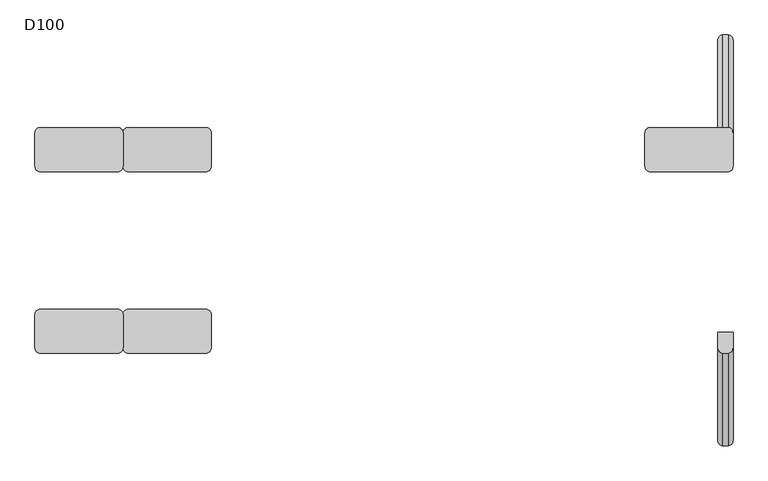
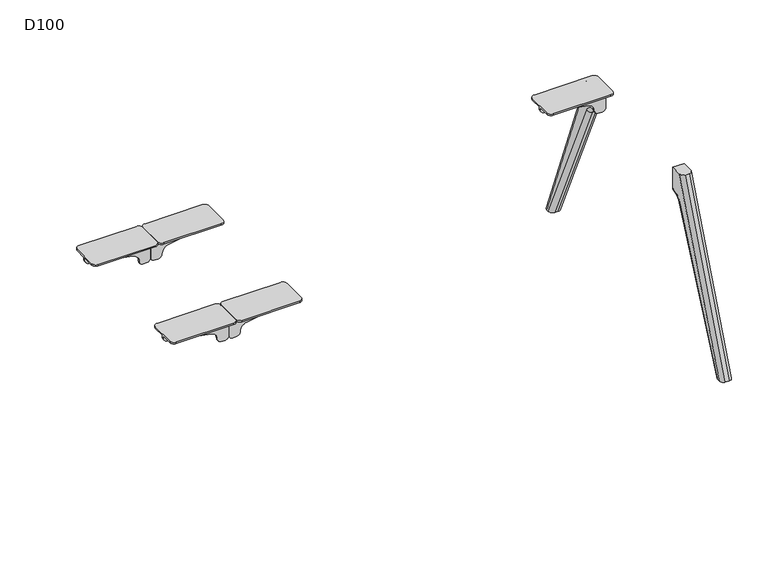
"""IFC4 building model written with IfcOpenShell, lengths in millimetres: furniture geometry, D100."""

from ifc_helpers import new_model, si_unit, point, frame, origin, place, context, project, spatial, polyline, circle_curve, ellipse_curve, trimmed, source, transform, mapped, element, save
from ifc_brep_helpers import plane_surface, cylinder_surface, revolved_surface, advanced_brep


def d100_7557b345(model_context):
    return source(origin(), model_context, "Body", "AdvancedBrep", [
        advanced_brep(
        [(1729.2740174, 270.7236545, 641.5327762), (1555.4913675, 270.7236545, 672.5), (1539.0, 270.7236545, 692.1898324), (1539.0, 270.7236545, 700.0), (1799.0, 270.7236545, 700.0), (1799.0, 270.7236545, 611.0), (1784.0, 270.7236545, 596.0), (1769.0, 270.7236545, 596.0), (1754.0036896, 270.7236545, 611.3326759), (1729.2740174, 264.7236545, 641.5327762), (1754.0036896, 264.7236545, 611.3326759), (1769.0, 264.7236545, 596.0), (1784.0, 264.7236545, 596.0), (1799.0, 264.7236545, 611.0), (1799.0, 264.7236545, 700.0), (1539.0, 264.7236545, 700.0), (1539.0, 264.7236545, 692.1898324), (1555.4913675, 264.7236545, 672.5), (1799.0, 218.7236545, 706.0), (1799.0, 218.7236545, 700.0), (1799.0, 316.7236545, 700.0), (1799.0, 316.7236545, 706.0), (1783.0, 332.7236545, 706.0), (1555.0, 332.7236545, 706.0), (1539.0, 316.7236545, 706.0), (1539.0, 218.7236545, 706.0), (1555.0, 202.7236545, 706.0), (1783.0, 202.7236545, 706.0), (1539.0, 316.7236545, 700.0), (1539.0, 218.7236545, 700.0), (1783.0, 202.7236545, 700.0), (1555.0, 202.7236545, 700.0), (1555.0, 332.7236545, 700.0), (1783.0, 332.7236545, 700.0)],
        [
            (0, 1),
            (1, 2, circle_curve(frame((1559.0, 270.7236545, 692.1898324), z_axis=(0.0, 1.0, 0.0), x_axis=(1.0, 0.0, 0.0)), 20.0)),
            (2, 3),
            (3, 4),
            (4, 5),
            (5, 6, circle_curve(frame((1784.0, 270.7236545, 611.0), z_axis=(0.0, 1.0, 0.0), x_axis=(1.0, 0.0, 0.0)), 15.0)),
            (6, 7),
            (7, 8, circle_curve(frame((1769.0, 270.7236545, 611.0), z_axis=(0.0, 1.0, 0.0), x_axis=(1.0, 0.0, 0.0)), 15.0)),
            (8, 0, circle_curve(frame((1724.0110687, 270.7236545, 611.9980276), z_axis=(0.0, -1.0, 0.0), x_axis=(1.0, 0.0, 0.0)), 30.0)),
            (9, 10, circle_curve(frame((1724.0110687, 264.7236545, 611.9980276), z_axis=(0.0, 1.0, 0.0), x_axis=(1.0, 0.0, 0.0)), 30.0)),
            (10, 11, circle_curve(frame((1769.0, 264.7236545, 611.0), z_axis=(0.0, -1.0, 0.0), x_axis=(1.0, 0.0, 0.0)), 15.0)),
            (11, 12),
            (12, 13, circle_curve(frame((1784.0, 264.7236545, 611.0), z_axis=(0.0, -1.0, 0.0), x_axis=(1.0, 0.0, 0.0)), 15.0)),
            (13, 14),
            (14, 15),
            (15, 16),
            (16, 17, circle_curve(frame((1559.0, 264.7236545, 692.1898324), z_axis=(0.0, -1.0, 0.0), x_axis=(1.0, 0.0, 0.0)), 20.0)),
            (17, 9),
            (8, 10),
            (9, 0),
            (18, 19),
            (19, 14),
            (13, 5),
            (4, 20),
            (20, 21),
            (21, 18),
            (21, 22, circle_curve(frame((1783.0, 316.7236545, 706.0), z_axis=(0.0, 0.0, 1.0), x_axis=(-1.0, 0.0, 0.0)), 16.0)),
            (22, 23),
            (23, 24, circle_curve(frame((1555.0, 316.7236545, 706.0), z_axis=(0.0, 0.0, 1.0), x_axis=(-1.0, 0.0, 0.0)), 16.0)),
            (24, 25),
            (25, 26, circle_curve(frame((1555.0, 218.7236545, 706.0), z_axis=(0.0, 0.0, 1.0), x_axis=(-1.0, 0.0, 0.0)), 16.0)),
            (26, 27),
            (27, 18, circle_curve(frame((1783.0, 218.7236545, 706.0), z_axis=(0.0, 0.0, 1.0), x_axis=(-1.0, 0.0, 0.0)), 16.0)),
            (24, 28),
            (28, 3),
            (2, 16),
            (15, 29),
            (29, 25),
            (1, 17),
            (7, 11),
            (6, 12),
            (30, 31),
            (31, 29, circle_curve(frame((1555.0, 218.7236545, 700.0), z_axis=(0.0, 0.0, -1.0), x_axis=(-1.0, 0.0, 0.0)), 16.0)),
            (19, 30, circle_curve(frame((1783.0, 218.7236545, 700.0), z_axis=(0.0, 0.0, -1.0), x_axis=(-1.0, 0.0, 0.0)), 16.0)),
            (28, 32, circle_curve(frame((1555.0, 316.7236545, 700.0), z_axis=(0.0, 0.0, -1.0), x_axis=(-1.0, 0.0, 0.0)), 16.0)),
            (32, 33),
            (33, 20, circle_curve(frame((1783.0, 316.7236545, 700.0), z_axis=(0.0, 0.0, -1.0), x_axis=(-1.0, 0.0, 0.0)), 16.0)),
            (27, 30),
            (33, 22),
            (32, 23),
            (31, 26),
        ],
        [
            plane_surface(frame((1555.4913675, 270.7236545, 672.5), z_axis=(0.0, 1.0000000000000002, 0.0), x_axis=(-0.9844916178685639, 0.0, 0.17543162299465215))),
            plane_surface(frame((1555.4913675, 264.7236545, 672.5), z_axis=(0.0, -1.0000000000000002, 0.0), x_axis=(0.9844916178685639, 0.0, -0.17543162299465215))),
            revolved_surface(polyline([(1754.0110687, 264.7236545, 611.9980276), (1754.0110687, 270.7236545, 611.9980276)]), (1724.0110687, 264.7236545, 611.9980276), (0.0, -1.0, 0.0)),
            plane_surface(frame((1799.0, 270.7236545, 706.0), z_axis=(1.0, 0.0, 0.0), x_axis=(0.0, -1.0, 0.0))),
            plane_surface(frame((1539.0, 270.7236545, 706.0), z_axis=(0.0, 0.0, 1.0), x_axis=(0.0, -1.0, 0.0))),
            plane_surface(frame((1539.0, 270.7236545, 692.1898324), z_axis=(-1.0, 0.0, 0.0), x_axis=(0.0, -1.0, 0.0))),
            cylinder_surface(frame((1559.0, 264.7236545, 692.1898324), z_axis=(0.0, 1.0, 0.0), x_axis=(1.0, 0.0, 0.0)), 20.0),
            plane_surface(frame((1729.2740174, 270.7236545, 641.5327762), z_axis=(-0.17543162299465215, 0.0, -0.9844916178685639), x_axis=(0.0, -1.0, 0.0))),
            cylinder_surface(frame((1769.0, 264.7236545, 611.0), z_axis=(0.0, 1.0, 0.0), x_axis=(1.0, 0.0, 0.0)), 15.0),
            plane_surface(frame((1784.0, 270.7236545, 596.0), z_axis=(0.0, 0.0, -1.0), x_axis=(0.0, -1.0, 0.0))),
            cylinder_surface(frame((1784.0, 264.7236545, 611.0), z_axis=(0.0, 1.0, 0.0), x_axis=(1.0, 0.0, 0.0)), 15.0),
            plane_surface(frame((1767.0, 218.7236545, 700.0), z_axis=(0.0, 0.0, -1.0), x_axis=(0.0, 1.0, 0.0))),
            cylinder_surface(frame((1783.0, 218.7236545, 700.0), z_axis=(0.0, 0.0, 1.0), x_axis=(-1.0, 0.0, 0.0)), 16.0),
            cylinder_surface(frame((1783.0, 316.7236545, 700.0), z_axis=(0.0, 0.0, 1.0), x_axis=(-1.0, 0.0, 0.0)), 16.0),
            plane_surface(frame((1783.0, 332.7236545, 706.0), z_axis=(0.0, 1.0, 0.0), x_axis=(0.0, 0.0, -1.0))),
            cylinder_surface(frame((1555.0, 316.7236545, 700.0), z_axis=(0.0, 0.0, 1.0), x_axis=(-1.0, 0.0, 0.0)), 16.0),
            cylinder_surface(frame((1555.0, 218.7236545, 700.0), z_axis=(0.0, 0.0, 1.0), x_axis=(-1.0, 0.0, 0.0)), 16.0),
            plane_surface(frame((1555.0, 202.7236545, 706.0), z_axis=(0.0, -1.0, 0.0), x_axis=(0.0, 0.0, -1.0))),
        ],
        [
            (0, [[1, 2, 3, 4, 5, 6, 7, 8, 9]]),
            (1, [[10, 11, 12, 13, 14, 15, 16, 17, 18]]),
            (2, [[-9, 19, -10, 20]]),
            (3, [[21, 22, -14, 23, -5, 24, 25, 26]]),
            (4, [[-26, 27, 28, 29, 30, 31, 32, 33]]),
            (5, [[-30, 34, 35, -3, 36, -16, 37, 38]]),
            (6, [[-2, 39, -17, -36]]),
            (7, [[-1, -20, -18, -39]]),
            (8, [[-8, 40, -11, -19]]),
            (9, [[-7, 41, -12, -40]]),
            (10, [[-6, -23, -13, -41]]),
            (11, [[42, 43, -37, -15, -22, 44]]),
            (11, [[45, 46, 47, -24, -4, -35]]),
            (12, [[-33, 48, -44, -21]]),
            (13, [[-27, -25, -47, 49]]),
            (14, [[-28, -49, -46, 50]]),
            (15, [[-29, -50, -45, -34]]),
            (16, [[-31, -38, -43, 51]]),
            (17, [[-32, -51, -42, -48]]),
        ],
    ),
        advanced_brep(
        [(1784.0, 272.7758244, 596.0), (1799.0, 272.7758244, 611.0), (1799.0, 270.7236545, 611.0), (1784.0, 270.7236545, 596.0), (1754.0, 272.7758244, 611.0), (1769.0, 272.7758244, 596.0), (1769.0, 270.7236545, 596.0), (1754.0, 270.7236545, 611.0), (1799.0, 319.3435487, 580.82862), (1784.0, 305.6533176, 574.6985653), (1784.0, 562.9852524, 0.0), (1799.0, 579.4203292, 0.0), (1769.0, 305.6533176, 574.6985653), (1754.0, 319.3435487, 580.82862), (1754.0, 579.4203292, 0.0), (1769.0, 562.9852524, 0.0), (1754.0, 270.7236545, 700.0), (1754.0, 316.6217076, 700.0), (1754.0, 589.8218305, 0.0), (1799.0, 270.7236545, 700.0), (1799.0, 589.8218305, 0.0), (1799.0, 316.6217076, 700.0), (1784.0, 332.7236545, 700.0), (1769.0, 332.7236545, 700.0), (1784.0, 605.9237773, 0.0), (1769.0, 605.9237773, 0.0)],
        [
            (0, 1, circle_curve(frame((1784.0, 272.7758244, 611.0), z_axis=(0.0, -1.0, 0.0), x_axis=(0.0, 0.0, -1.0)), 15.0)),
            (1, 2),
            (2, 3, circle_curve(frame((1784.0, 270.7236545, 611.0), z_axis=(0.0, 1.0, 0.0), x_axis=(0.0, 0.0, -1.0)), 15.0)),
            (3, 0),
            (4, 5, circle_curve(frame((1769.0, 272.7758244, 611.0), z_axis=(0.0, -1.0, 0.0), x_axis=(0.0, 0.0, -1.0)), 15.0)),
            (5, 6),
            (6, 7, circle_curve(frame((1769.0, 270.7236545, 611.0), z_axis=(0.0, 1.0, 0.0), x_axis=(0.0, 0.0, -1.0)), 15.0)),
            (7, 4),
            (8, 9, circle_curve(frame((1784.0, 319.3435487, 580.82862), z_axis=(0.0, 0.4086703164969099, -0.9126820763082375), x_axis=(0.0, -0.9126820763082375, -0.4086703164969099)), 15.0)),
            (9, 10),
            (10, 11, ellipse_curve(frame((1784.0, 579.4203292, 0.0), z_axis=(0.0, 0.0, 1.0), x_axis=(0.0, 1.0, 0.0)), 16.4350768, 15.0)),
            (11, 8),
            (12, 13, circle_curve(frame((1769.0, 319.3435487, 580.82862), z_axis=(0.0, 0.4086703164969099, -0.9126820763082375), x_axis=(0.0, -0.9126820763082375, -0.4086703164969099)), 15.0)),
            (13, 14),
            (14, 15, ellipse_curve(frame((1769.0, 579.4203292, 0.0), z_axis=(0.0, 0.0, 1.0), x_axis=(0.0, 1.0, 0.0)), 16.4350768, 15.0)),
            (15, 12),
            (0, 9, circle_curve(frame((1784.0, 272.7758244, 559.9770583), z_axis=(-1.0, 0.0, 0.0), x_axis=(0.0, 0.0, 1.0)), 36.0229417)),
            (8, 1, circle_curve(frame((1799.0, 272.7758244, 559.9770583), z_axis=(1.0, 0.0, 0.0), x_axis=(0.0, 0.0, 1.0)), 51.0229417)),
            (4, 13, circle_curve(frame((1754.0, 272.7758244, 559.9770583), z_axis=(-1.0, 0.0, 0.0), x_axis=(0.0, 0.0, 1.0)), 51.0229417)),
            (12, 5, circle_curve(frame((1769.0, 272.7758244, 559.9770583), z_axis=(1.0, 0.0, 0.0), x_axis=(0.0, 0.0, 1.0)), 36.0229417)),
            (7, 16),
            (16, 17),
            (17, 18),
            (18, 14),
            (19, 2),
            (11, 20),
            (20, 21),
            (21, 19),
            (16, 19),
            (21, 22, ellipse_curve(frame((1784.0, 316.6217076, 700.0), z_axis=(0.0, 0.0, 1.0), x_axis=(0.0, -1.0, 0.0)), 16.1019468, 15.0)),
            (22, 23),
            (23, 17, ellipse_curve(frame((1769.0, 316.6217076, 700.0), z_axis=(0.0, 0.0, 1.0), x_axis=(0.0, -1.0, 0.0)), 16.1019468, 15.0)),
            (22, 24),
            (24, 25),
            (25, 23),
            (10, 15),
            (18, 25, ellipse_curve(frame((1769.0, 589.8218305, 0.0), z_axis=(0.0, 0.0, -1.0), x_axis=(0.0, -0.9999999999999999, 0.0)), 16.1019468, 15.0)),
            (24, 20, ellipse_curve(frame((1784.0, 589.8218305, 0.0), z_axis=(0.0, 0.0, -1.0), x_axis=(0.0, -0.9999999999999999, 0.0)), 16.1019468, 15.0)),
            (9, 12),
            (0, 5),
            (3, 6),
        ],
        [
            cylinder_surface(frame((1784.0, -272.7758244, 611.0), z_axis=(0.0, 1.0, 0.0), x_axis=(0.0, 0.0, -1.0)), 15.0),
            cylinder_surface(frame((1769.0, -272.7758244, 611.0), z_axis=(0.0, 1.0, 0.0), x_axis=(0.0, 0.0, -1.0)), 15.0),
            cylinder_surface(frame((1784.0, 319.3435487, 580.82862), z_axis=(0.0, 0.4086703164969099, -0.9126820763082375), x_axis=(0.0, -0.9126820763082375, -0.4086703164969099)), 15.0),
            cylinder_surface(frame((1769.0, 319.3435487, 580.82862), z_axis=(0.0, 0.4086703164969099, -0.9126820763082375), x_axis=(0.0, -0.9126820763082375, -0.4086703164969099)), 15.0),
            revolved_surface(trimmed(ellipse_curve(frame((1784.0, 272.7758244, 611.0), z_axis=(0.0, -1.0, 0.0), x_axis=(0.0, 0.0, -1.0)), 15.0, 15.0), [point((1784.0, 272.7758244, 596.0))], [point((1799.0, 272.7758244, 611.0))], True, "CARTESIAN"), (1017.0, 272.7758244, 559.9770583), (-1.0, 0.0, 0.0)),
            revolved_surface(trimmed(ellipse_curve(frame((1769.0, 272.7758244, 611.0), z_axis=(0.0, -1.0, 0.0), x_axis=(0.0, 0.0, -1.0)), 15.0, 15.0), [point((1754.0, 272.7758244, 611.0))], [point((1769.0, 272.7758244, 596.0))], True, "CARTESIAN"), (1017.0, 272.7758244, 559.9770583), (-1.0, 0.0, 0.0)),
            plane_surface(frame((1754.0, 291.5455549, 700.0), z_axis=(-1.0, 0.0, 0.0), x_axis=(0.0, 1.0, 0.0))),
            plane_surface(frame((1799.0, 291.5455549, 700.0), z_axis=(1.0, 0.0, 0.0), x_axis=(0.0, -1.0, 0.0))),
            plane_surface(frame((1754.0, 270.7236545, 700.0), z_axis=(0.0, 0.0, 1.0), x_axis=(1.0, 0.0, 0.0))),
            plane_surface(frame((1754.0, 332.7236545, 700.0), z_axis=(0.0, 0.9315643722265751, 0.3635764299265108), x_axis=(1.0, 0.0, 0.0))),
            plane_surface(frame((1754.0, 605.9237773, 0.0), z_axis=(0.0, 0.0, -1.0), x_axis=(1.0, 0.0, 0.0))),
            plane_surface(frame((1754.0, 562.9852524, 0.0), z_axis=(0.0, -0.9126820763082374, -0.40867031649691016), x_axis=(1.0, 0.0, 0.0))),
            revolved_surface(polyline([(1784.0, 236.7528827, 559.9770583), (1769.0, 236.7528827, 559.9770583)]), (1799.0, 272.7758244, 559.9770583), (1.0, 0.0, 0.0)),
            plane_surface(frame((1754.0, 272.7758244, 596.0), z_axis=(0.0, 0.0, -1.0), x_axis=(1.0, 0.0, 0.0))),
            plane_surface(frame((1754.0, 270.7236545, 596.0), z_axis=(0.0, -1.0, 0.0), x_axis=(1.0, 0.0, 0.0))),
            cylinder_surface(frame((1784.0, 599.6644228, -25.2189296), z_axis=(0.0, -0.3635764299265101, 0.9315643722265754), x_axis=(0.0, 0.9315643722265754, 0.3635764299265101)), 15.0),
            cylinder_surface(frame((1769.0, 599.6644228, -25.2189296), z_axis=(0.0, -0.3635764299265101, 0.9315643722265754), x_axis=(0.0, 0.9315643722265754, 0.3635764299265101)), 15.0),
        ],
        [
            (0, [[1, 2, 3, 4]]),
            (1, [[5, 6, 7, 8]]),
            (2, [[9, 10, 11, 12]]),
            (3, [[13, 14, 15, 16]]),
            (4, [[-1, 17, -9, 18]]),
            (5, [[-5, 19, -13, 20]]),
            (6, [[21, 22, 23, 24, -14, -19, -8]]),
            (7, [[25, -2, -18, -12, 26, 27, 28]]),
            (8, [[29, -28, 30, 31, 32, -22]]),
            (9, [[-31, 33, 34, 35]]),
            (10, [[36, -15, -24, 37, -34, 38, -26, -11]]),
            (11, [[-36, -10, 39, -16]]),
            (12, [[-39, -17, 40, -20]]),
            (13, [[-40, -4, 41, -6]]),
            (14, [[-29, -21, -7, -41, -3, -25]]),
            (15, [[-27, -38, -33, -30]]),
            (16, [[-23, -32, -35, -37]]),
        ],
    ),
        advanced_brep(
        [(1754.0, -270.7236545, 700.0), (1754.0, -270.7236545, 611.0), (1754.0, -272.7758244, 611.0), (1754.0, -319.3435487, 580.82862), (1754.0, -579.4203292, 0.0), (1754.0, -589.8218305, 0.0), (1754.0, -316.6217076, 700.0), (1799.0, -270.7236545, 611.0), (1799.0, -270.7236545, 700.0), (1799.0, -316.6217076, 700.0), (1799.0, -589.8218305, 0.0), (1799.0, -579.4203292, 0.0), (1799.0, -319.3435487, 580.82862), (1799.0, -272.7758244, 611.0), (1769.0, -332.7236545, 700.0), (1784.0, -332.7236545, 700.0), (1769.0, -605.9237773, 0.0), (1784.0, -605.9237773, 0.0), (1769.0, -562.9852524, 0.0), (1784.0, -562.9852524, 0.0), (1769.0, -305.6533176, 574.6985653), (1784.0, -305.6533176, 574.6985653), (1769.0, -272.7758244, 596.0), (1784.0, -272.7758244, 596.0), (1769.0, -270.7236545, 596.0), (1784.0, -270.7236545, 596.0)],
        [
            (0, 1),
            (1, 2),
            (2, 3, circle_curve(frame((1754.0, -272.7758244, 559.9770583), z_axis=(1.0, 0.0, 0.0), x_axis=(0.0, -0.9126820763082378, 0.4086703164969091)), 51.0229417)),
            (3, 4),
            (4, 5),
            (5, 6),
            (6, 0),
            (7, 8),
            (8, 9),
            (9, 10),
            (10, 11),
            (11, 12),
            (12, 13, circle_curve(frame((1799.0, -272.7758244, 559.9770583), z_axis=(-1.0, 0.0, 0.0), x_axis=(0.0, -0.9126820763082378, 0.4086703164969091)), 51.0229417)),
            (13, 7),
            (8, 0),
            (6, 14, ellipse_curve(frame((1769.0, -316.6217076, 700.0), z_axis=(0.0, 0.0, 1.0), x_axis=(0.0, 1.0, 0.0)), 16.1019468, 15.0)),
            (14, 15),
            (15, 9, ellipse_curve(frame((1784.0, -316.6217076, 700.0), z_axis=(0.0, 0.0, 1.0), x_axis=(0.0, 1.0, 0.0)), 16.1019468, 15.0)),
            (14, 16),
            (16, 17),
            (17, 15),
            (18, 19),
            (19, 11, ellipse_curve(frame((1784.0, -579.4203292, 0.0), z_axis=(0.0, 0.0, -1.0), x_axis=(0.0, 1.0, 0.0)), 16.4350768, 15.0)),
            (10, 17, ellipse_curve(frame((1784.0, -589.8218305, 0.0), z_axis=(0.0, 0.0, -1.0), x_axis=(0.0, 0.9999999999999999, 0.0)), 16.1019468, 15.0)),
            (16, 5, ellipse_curve(frame((1769.0, -589.8218305, 0.0), z_axis=(0.0, 0.0, -1.0), x_axis=(0.0, 0.9999999999999999, 0.0)), 16.1019468, 15.0)),
            (4, 18, ellipse_curve(frame((1769.0, -579.4203292, 0.0), z_axis=(0.0, 0.0, -1.0), x_axis=(0.0, 1.0, 0.0)), 16.4350768, 15.0)),
            (18, 20),
            (20, 21),
            (21, 19),
            (20, 22, circle_curve(frame((1769.0, -272.7758244, 559.9770583), z_axis=(-1.0, 0.0, 0.0), x_axis=(0.0, 1.0, 0.0)), 36.0229417)),
            (22, 23),
            (23, 21, circle_curve(frame((1784.0, -272.7758244, 559.9770583), z_axis=(1.0, 0.0, 0.0), x_axis=(0.0, 1.0, 0.0)), 36.0229417)),
            (22, 24),
            (24, 25),
            (25, 23),
            (7, 25, circle_curve(frame((1784.0, -270.7236545, 611.0), z_axis=(0.0, 1.0, 0.0), x_axis=(0.0, 0.0, -1.0)), 15.0)),
            (24, 1, circle_curve(frame((1769.0, -270.7236545, 611.0), z_axis=(0.0, 1.0, 0.0), x_axis=(0.0, 0.0, -1.0)), 15.0)),
            (21, 12, circle_curve(frame((1784.0, -319.3435487, 580.82862), z_axis=(0.0, -0.40867031649690977, -0.9126820763082376), x_axis=(0.0, 0.9126820763082376, -0.40867031649690977)), 15.0)),
            (3, 20, circle_curve(frame((1769.0, -319.3435487, 580.82862), z_axis=(0.0, -0.40867031649690977, -0.9126820763082376), x_axis=(0.0, 0.9126820763082376, -0.40867031649690977)), 15.0)),
            (13, 23, circle_curve(frame((1784.0, -272.7758244, 611.0), z_axis=(0.0, 1.0, 0.0), x_axis=(0.0, 0.0, -1.0)), 15.0)),
            (22, 2, circle_curve(frame((1769.0, -272.7758244, 611.0), z_axis=(0.0, 1.0, 0.0), x_axis=(0.0, 0.0, -1.0)), 15.0)),
        ],
        [
            plane_surface(frame((1754.0, -270.7236545, 596.0), z_axis=(-1.0, 0.0, 0.0), x_axis=(0.0, 0.0, -1.0))),
            plane_surface(frame((1799.0, -270.7236545, 596.0), z_axis=(1.0, 0.0, 0.0), x_axis=(0.0, 0.0, 1.0))),
            plane_surface(frame((1754.0, -332.7236545, 700.0), z_axis=(0.0, 0.0, 1.0), x_axis=(1.0, 0.0, 0.0))),
            plane_surface(frame((1754.0, -605.9237773, 0.0), z_axis=(0.0, -0.9315643722265751, 0.3635764299265108), x_axis=(1.0, 0.0, 0.0))),
            plane_surface(frame((1754.0, -562.9852524, 0.0), z_axis=(0.0, 0.0, -1.0), x_axis=(1.0, 0.0, 0.0))),
            plane_surface(frame((1754.0, -305.6533176, 574.6985653), z_axis=(0.0, 0.9126820763082374, -0.40867031649691016), x_axis=(1.0, 0.0, 0.0))),
            revolved_surface(polyline([(1784.0, -236.7528827, 559.9770583), (1769.0, -236.7528827, 559.9770583)]), (1799.0, -272.7758244, 559.9770583), (1.0, 0.0, 0.0)),
            plane_surface(frame((1754.0, -270.7236545, 596.0), z_axis=(0.0, 0.0, -1.0), x_axis=(1.0, 0.0, 0.0))),
            plane_surface(frame((1754.0, -270.7236545, 700.0), z_axis=(0.0, 1.0, 0.0), x_axis=(1.0, 0.0, 0.0))),
            cylinder_surface(frame((1784.0, -584.7803586, -11.9705362), z_axis=(0.0, 0.40867031649690977, 0.9126820763082376), x_axis=(0.0, 0.9126820763082376, -0.40867031649690977)), 15.0),
            cylinder_surface(frame((1769.0, -584.7803586, -11.9705362), z_axis=(0.0, 0.40867031649690977, 0.9126820763082376), x_axis=(0.0, 0.9126820763082376, -0.40867031649690977)), 15.0),
            cylinder_surface(frame((1784.0, -272.7758244, 611.0), z_axis=(0.0, 1.0, 0.0), x_axis=(0.0, 0.0, -1.0)), 15.0),
            cylinder_surface(frame((1769.0, -272.7758244, 611.0), z_axis=(0.0, 1.0, 0.0), x_axis=(0.0, 0.0, -1.0)), 15.0),
            revolved_surface(trimmed(ellipse_curve(frame((1784.0, -319.3435487, 580.82862), z_axis=(0.0, -0.4086703164969089, -0.9126820763082379), x_axis=(0.0, 0.9126820763082379, -0.4086703164969089)), 15.0, 15.0), [point((1784.0, -305.6533176, 574.6985653))], [point((1799.0, -319.3435487, 580.82862))], True, "CARTESIAN"), (1017.0, -272.7758244, 559.9770583), (-1.0, 0.0, 0.0)),
            revolved_surface(trimmed(ellipse_curve(frame((1769.0, -319.3435487, 580.82862), z_axis=(0.0, -0.4086703164969089, -0.9126820763082379), x_axis=(0.0, 0.9126820763082379, -0.4086703164969089)), 15.0, 15.0), [point((1754.0, -319.3435487, 580.82862))], [point((1769.0, -305.6533176, 574.6985653))], True, "CARTESIAN"), (1017.0, -272.7758244, 559.9770583), (-1.0, 0.0, 0.0)),
            cylinder_surface(frame((1784.0, -599.6644228, -25.2189296), z_axis=(0.0, 0.3635764299265101, 0.9315643722265754), x_axis=(0.0, 0.9315643722265754, -0.3635764299265101)), 15.0),
            cylinder_surface(frame((1769.0, -599.6644228, -25.2189296), z_axis=(0.0, 0.3635764299265101, 0.9315643722265754), x_axis=(0.0, 0.9315643722265754, -0.3635764299265101)), 15.0),
        ],
        [
            (0, [[1, 2, 3, 4, 5, 6, 7]]),
            (1, [[8, 9, 10, 11, 12, 13, 14]]),
            (2, [[15, -7, 16, 17, 18, -9]]),
            (3, [[-17, 19, 20, 21]]),
            (4, [[22, 23, -11, 24, -20, 25, -5, 26]]),
            (5, [[-22, 27, 28, 29]]),
            (6, [[-28, 30, 31, 32]]),
            (7, [[-31, 33, 34, 35]]),
            (8, [[-15, -8, 36, -34, 37, -1]]),
            (9, [[38, -12, -23, -29]]),
            (10, [[39, -27, -26, -4]]),
            (11, [[40, -35, -36, -14]]),
            (12, [[41, -2, -37, -33]]),
            (13, [[-38, -32, -40, -13]]),
            (14, [[-39, -3, -41, -30]]),
            (15, [[-10, -18, -21, -24]]),
            (16, [[-6, -25, -19, -16]]),
        ],
    ),
        advanced_brep(
        [(-69.7259826, 270.7236545, 641.5327762), (-243.5086325, 270.7236545, 672.5), (-260.0, 270.7236545, 692.1898324), (-260.0, 270.7236545, 700.0), (0.0, 270.7236545, 700.0), (0.0, 270.7236545, 611.0), (-15.0, 270.7236545, 596.0), (-30.0, 270.7236545, 596.0), (-45.0, 270.7236545, 611.0), (-44.9963104, 270.7236545, 611.3326759), (-69.7259826, 264.7236545, 641.5327762), (-44.9963104, 264.7236545, 611.3326759), (-45.0, 264.7236545, 611.0), (-30.0, 264.7236545, 596.0), (-15.0, 264.7236545, 596.0), (0.0, 264.7236545, 611.0), (0.0, 264.7236545, 700.0), (-260.0, 264.7236545, 700.0), (-260.0, 264.7236545, 692.1898324), (-243.5086325, 264.7236545, 672.5), (0.0, 218.7236545, 706.0), (0.0, 218.7236545, 700.0), (0.0, 316.7236545, 700.0), (0.0, 316.7236545, 706.0), (-16.0, 332.7236545, 706.0), (-244.0, 332.7236545, 706.0), (-260.0, 316.7236545, 706.0), (-260.0, 218.7236545, 706.0), (-244.0, 202.7236545, 706.0), (-16.0, 202.7236545, 706.0), (-260.0, 316.7236545, 700.0), (-260.0, 218.7236545, 700.0), (-16.0, 202.7236545, 700.0), (-244.0, 202.7236545, 700.0), (-244.0, 332.7236545, 700.0), (-16.0, 332.7236545, 700.0)],
        [
            (0, 1),
            (1, 2, circle_curve(frame((-240.0, 270.7236545, 692.1898324), z_axis=(0.0, 1.0, 0.0), x_axis=(1.0, 0.0, 0.0)), 20.0)),
            (2, 3),
            (3, 4),
            (4, 5),
            (5, 6, circle_curve(frame((-15.0, 270.7236545, 611.0), z_axis=(0.0, 1.0, 0.0), x_axis=(1.0, 0.0, 0.0)), 15.0)),
            (6, 7),
            (7, 8, circle_curve(frame((-30.0, 270.7236545, 611.0), z_axis=(0.0, 1.0, 0.0), x_axis=(1.0, 0.0, 0.0)), 15.0)),
            (8, 9, circle_curve(frame((-30.0, 270.7236545, 611.0), z_axis=(0.0, 1.0, 0.0), x_axis=(1.0, 0.0, 0.0)), 15.0)),
            (9, 0, circle_curve(frame((-74.9889313, 270.7236545, 611.9980276), z_axis=(0.0, -1.0, 0.0), x_axis=(1.0, 0.0, 0.0)), 30.0)),
            (10, 11, circle_curve(frame((-74.9889313, 264.7236545, 611.9980276), z_axis=(0.0, 1.0, 0.0), x_axis=(1.0, 0.0, 0.0)), 30.0)),
            (11, 12, circle_curve(frame((-30.0, 264.7236545, 611.0), z_axis=(0.0, -1.0, 0.0), x_axis=(1.0, 0.0, 0.0)), 15.0)),
            (12, 13, circle_curve(frame((-30.0, 264.7236545, 611.0), z_axis=(0.0, -1.0, 0.0), x_axis=(1.0, 0.0, 0.0)), 15.0)),
            (13, 14),
            (14, 15, circle_curve(frame((-15.0, 264.7236545, 611.0), z_axis=(0.0, -1.0, 0.0), x_axis=(1.0, 0.0, 0.0)), 15.0)),
            (15, 16),
            (16, 17),
            (17, 18),
            (18, 19, circle_curve(frame((-240.0, 264.7236545, 692.1898324), z_axis=(0.0, -1.0, 0.0), x_axis=(1.0, 0.0, 0.0)), 20.0)),
            (19, 10),
            (9, 11),
            (10, 0),
            (20, 21),
            (21, 16),
            (15, 5),
            (4, 22),
            (22, 23),
            (23, 20),
            (23, 24, circle_curve(frame((-16.0, 316.7236545, 706.0), z_axis=(0.0, 0.0, 1.0), x_axis=(-1.0, 0.0, 0.0)), 16.0)),
            (24, 25),
            (25, 26, circle_curve(frame((-244.0, 316.7236545, 706.0), z_axis=(0.0, 0.0, 1.0), x_axis=(-1.0, 0.0, 0.0)), 16.0)),
            (26, 27),
            (27, 28, circle_curve(frame((-244.0, 218.7236545, 706.0), z_axis=(0.0, 0.0, 1.0), x_axis=(-1.0, 0.0, 0.0)), 16.0)),
            (28, 29),
            (29, 20, circle_curve(frame((-16.0, 218.7236545, 706.0), z_axis=(0.0, 0.0, 1.0), x_axis=(-1.0, 0.0, 0.0)), 16.0)),
            (26, 30),
            (30, 3),
            (2, 18),
            (17, 31),
            (31, 27),
            (1, 19),
            (7, 13),
            (6, 14),
            (32, 33),
            (33, 31, circle_curve(frame((-244.0, 218.7236545, 700.0), z_axis=(0.0, 0.0, -1.0), x_axis=(-1.0, 0.0, 0.0)), 16.0)),
            (21, 32, circle_curve(frame((-16.0, 218.7236545, 700.0), z_axis=(0.0, 0.0, -1.0), x_axis=(-1.0, 0.0, 0.0)), 16.0)),
            (30, 34, circle_curve(frame((-244.0, 316.7236545, 700.0), z_axis=(0.0, 0.0, -1.0), x_axis=(-1.0, 0.0, 0.0)), 16.0)),
            (34, 35),
            (35, 22, circle_curve(frame((-16.0, 316.7236545, 700.0), z_axis=(0.0, 0.0, -1.0), x_axis=(-1.0, 0.0, 0.0)), 16.0)),
            (29, 32),
            (35, 24),
            (34, 25),
            (33, 28),
        ],
        [
            plane_surface(frame((-243.5086325, 270.7236545, 672.5), z_axis=(0.0, 1.0, 0.0), x_axis=(-0.9844916178685641, 0.0, 0.17543162299465068))),
            plane_surface(frame((-243.5086325, 264.7236545, 672.5), z_axis=(0.0, -1.0, 0.0), x_axis=(0.9844916178685641, 0.0, -0.17543162299465068))),
            revolved_surface(polyline([(-44.988931300000004, 264.7236545, 611.9980276), (-44.988931300000004, 270.7236545, 611.9980276)]), (-74.9889313, 264.7236545, 611.9980276), (0.0, -1.0, 0.0)),
            plane_surface(frame((0.0, 270.7236545, 706.0), z_axis=(1.0, 0.0, 0.0), x_axis=(0.0, -1.0, 0.0))),
            plane_surface(frame((-260.0, 270.7236545, 706.0), z_axis=(0.0, 0.0, 1.0), x_axis=(0.0, -1.0, 0.0))),
            plane_surface(frame((-260.0, 270.7236545, 692.1898324), z_axis=(-1.0, 0.0, 0.0), x_axis=(0.0, -1.0, 0.0))),
            cylinder_surface(frame((-240.0, 264.7236545, 692.1898324), z_axis=(0.0, 1.0, 0.0), x_axis=(1.0, 0.0, 0.0)), 20.0),
            plane_surface(frame((-69.7259826, 270.7236545, 641.5327762), z_axis=(-0.17543162299465068, 0.0, -0.9844916178685641), x_axis=(0.0, -1.0, 0.0))),
            cylinder_surface(frame((-30.0, 264.7236545, 611.0), z_axis=(0.0, 1.0, 0.0), x_axis=(1.0, 0.0, 0.0)), 15.0),
            plane_surface(frame((-15.0, 270.7236545, 596.0), z_axis=(0.0, 0.0, -1.0), x_axis=(0.0, -1.0, 0.0))),
            cylinder_surface(frame((-15.0, 264.7236545, 611.0), z_axis=(0.0, 1.0, 0.0), x_axis=(1.0, 0.0, 0.0)), 15.0),
            plane_surface(frame((-32.0, 218.7236545, 700.0), z_axis=(0.0, 0.0, -1.0), x_axis=(0.0, 1.0, 0.0))),
            cylinder_surface(frame((-16.0, 218.7236545, 700.0), z_axis=(0.0, 0.0, 1.0), x_axis=(-1.0, 0.0, 0.0)), 16.0),
            cylinder_surface(frame((-16.0, 316.7236545, 700.0), z_axis=(0.0, 0.0, 1.0), x_axis=(-1.0, 0.0, 0.0)), 16.0),
            plane_surface(frame((-16.0, 332.7236545, 706.0), z_axis=(0.0, 1.0, 0.0), x_axis=(0.0, 0.0, -1.0))),
            cylinder_surface(frame((-244.0, 316.7236545, 700.0), z_axis=(0.0, 0.0, 1.0), x_axis=(-1.0, 0.0, 0.0)), 16.0),
            cylinder_surface(frame((-244.0, 218.7236545, 700.0), z_axis=(0.0, 0.0, 1.0), x_axis=(-1.0, 0.0, 0.0)), 16.0),
            plane_surface(frame((-244.0, 202.7236545, 706.0), z_axis=(0.0, -1.0, 0.0), x_axis=(0.0, 0.0, -1.0))),
        ],
        [
            (0, [[1, 2, 3, 4, 5, 6, 7, 8, 9, 10]]),
            (1, [[11, 12, 13, 14, 15, 16, 17, 18, 19, 20]]),
            (2, [[-10, 21, -11, 22]]),
            (3, [[23, 24, -16, 25, -5, 26, 27, 28]]),
            (4, [[-28, 29, 30, 31, 32, 33, 34, 35]]),
            (5, [[-32, 36, 37, -3, 38, -18, 39, 40]]),
            (6, [[-2, 41, -19, -38]]),
            (7, [[-1, -22, -20, -41]]),
            (8, [[-21, -9, -8, 42, -13, -12]]),
            (9, [[-7, 43, -14, -42]]),
            (10, [[-6, -25, -15, -43]]),
            (11, [[44, 45, -39, -17, -24, 46]]),
            (11, [[47, 48, 49, -26, -4, -37]]),
            (12, [[-35, 50, -46, -23]]),
            (13, [[-29, -27, -49, 51]]),
            (14, [[-30, -51, -48, 52]]),
            (15, [[-31, -52, -47, -36]]),
            (16, [[-33, -40, -45, 53]]),
            (17, [[-34, -53, -44, -50]]),
        ],
    ),
        advanced_brep(
        [(-69.7259826, -270.7236545, 641.5327762), (-44.9963104, -270.7236545, 611.3326759), (-45.0, -270.7236545, 611.0), (-30.0, -270.7236545, 596.0), (-15.0, -270.7236545, 596.0), (0.0, -270.7236545, 611.0), (0.0, -270.7236545, 700.0), (-260.0, -270.7236545, 700.0), (-260.0, -270.7236545, 692.1898324), (-243.5086325, -270.7236545, 672.5), (-69.7259826, -264.7236545, 641.5327762), (-243.5086325, -264.7236545, 672.5), (-260.0, -264.7236545, 692.1898324), (-260.0, -264.7236545, 700.0), (0.0, -264.7236545, 700.0), (0.0, -264.7236545, 611.0), (-15.0, -264.7236545, 596.0), (-30.0, -264.7236545, 596.0), (-45.0, -264.7236545, 611.0), (-44.9963104, -264.7236545, 611.3326759), (0.0, -218.7236545, 700.0), (0.0, -218.7236545, 706.0), (0.0, -316.7236545, 706.0), (0.0, -316.7236545, 700.0), (-16.0, -202.7236545, 706.0), (-244.0, -202.7236545, 706.0), (-260.0, -218.7236545, 706.0), (-260.0, -316.7236545, 706.0), (-244.0, -332.7236545, 706.0), (-16.0, -332.7236545, 706.0), (-260.0, -218.7236545, 700.0), (-260.0, -316.7236545, 700.0), (-16.0, -202.7236545, 700.0), (-244.0, -202.7236545, 700.0), (-16.0, -332.7236545, 700.0), (-244.0, -332.7236545, 700.0)],
        [
            (0, 1, circle_curve(frame((-74.9889313, -270.7236545, 611.9980276), z_axis=(0.0, 1.0, 0.0), x_axis=(1.0, 0.0, 0.0)), 30.0)),
            (1, 2, circle_curve(frame((-30.0, -270.7236545, 611.0), z_axis=(0.0, -1.0, 0.0), x_axis=(1.0, 0.0, 0.0)), 15.0)),
            (2, 3, circle_curve(frame((-30.0, -270.7236545, 611.0), z_axis=(0.0, -1.0, 0.0), x_axis=(1.0, 0.0, 0.0)), 15.0)),
            (3, 4),
            (4, 5, circle_curve(frame((-15.0, -270.7236545, 611.0), z_axis=(0.0, -1.0, 0.0), x_axis=(1.0, 0.0, 0.0)), 15.0)),
            (5, 6),
            (6, 7),
            (7, 8),
            (8, 9, circle_curve(frame((-240.0, -270.7236545, 692.1898324), z_axis=(0.0, -1.0, 0.0), x_axis=(1.0, 0.0, 0.0)), 20.0)),
            (9, 0),
            (10, 11),
            (11, 12, circle_curve(frame((-240.0, -264.7236545, 692.1898324), z_axis=(0.0, 1.0, 0.0), x_axis=(1.0, 0.0, 0.0)), 20.0)),
            (12, 13),
            (13, 14),
            (14, 15),
            (15, 16, circle_curve(frame((-15.0, -264.7236545, 611.0), z_axis=(0.0, 1.0, 0.0), x_axis=(1.0, 0.0, 0.0)), 15.0)),
            (16, 17),
            (17, 18, circle_curve(frame((-30.0, -264.7236545, 611.0), z_axis=(0.0, 1.0, 0.0), x_axis=(1.0, 0.0, 0.0)), 15.0)),
            (18, 19, circle_curve(frame((-30.0, -264.7236545, 611.0), z_axis=(0.0, 1.0, 0.0), x_axis=(1.0, 0.0, 0.0)), 15.0)),
            (19, 10, circle_curve(frame((-74.9889313, -264.7236545, 611.9980276), z_axis=(0.0, -1.0, 0.0), x_axis=(1.0, 0.0, 0.0)), 30.0)),
            (0, 10),
            (19, 1),
            (5, 15),
            (14, 20),
            (20, 21),
            (21, 22),
            (22, 23),
            (23, 6),
            (21, 24, circle_curve(frame((-16.0, -218.7236545, 706.0), z_axis=(0.0, 0.0, 1.0), x_axis=(-1.0, 0.0, 0.0)), 16.0)),
            (24, 25),
            (25, 26, circle_curve(frame((-244.0, -218.7236545, 706.0), z_axis=(0.0, 0.0, 1.0), x_axis=(-1.0, 0.0, 0.0)), 16.0)),
            (26, 27),
            (27, 28, circle_curve(frame((-244.0, -316.7236545, 706.0), z_axis=(0.0, 0.0, 1.0), x_axis=(-1.0, 0.0, 0.0)), 16.0)),
            (28, 29),
            (29, 22, circle_curve(frame((-16.0, -316.7236545, 706.0), z_axis=(0.0, 0.0, 1.0), x_axis=(-1.0, 0.0, 0.0)), 16.0)),
            (26, 30),
            (30, 13),
            (12, 8),
            (7, 31),
            (31, 27),
            (11, 9),
            (17, 3),
            (16, 4),
            (32, 20, circle_curve(frame((-16.0, -218.7236545, 700.0), z_axis=(0.0, 0.0, -1.0), x_axis=(-1.0, 0.0, 0.0)), 16.0)),
            (30, 33, circle_curve(frame((-244.0, -218.7236545, 700.0), z_axis=(0.0, 0.0, -1.0), x_axis=(-1.0, 0.0, 0.0)), 16.0)),
            (33, 32),
            (23, 34, circle_curve(frame((-16.0, -316.7236545, 700.0), z_axis=(0.0, 0.0, -1.0), x_axis=(-1.0, 0.0, 0.0)), 16.0)),
            (34, 35),
            (35, 31, circle_curve(frame((-244.0, -316.7236545, 700.0), z_axis=(0.0, 0.0, -1.0), x_axis=(-1.0, 0.0, 0.0)), 16.0)),
            (32, 24),
            (29, 34),
            (28, 35),
            (25, 33),
        ],
        [
            plane_surface(frame((-44.9889313, -270.7236545, 611.9980276), z_axis=(0.0, -1.0, 0.0), x_axis=(0.0, 0.0, -1.0))),
            plane_surface(frame((-44.9889313, -264.7236545, 611.9980276), z_axis=(0.0, 1.0, 0.0), x_axis=(0.0, 0.0, 1.0))),
            revolved_surface(polyline([(-44.988931300000004, -264.7236545, 611.9980276), (-44.988931300000004, -270.7236545, 611.9980276)]), (-74.9889313, -264.7236545, 611.9980276), (0.0, 1.0, 0.0)),
            plane_surface(frame((0.0, -270.7236545, 611.0), z_axis=(1.0, 0.0, 0.0), x_axis=(0.0, 1.0, 0.0))),
            plane_surface(frame((0.0, -270.7236545, 706.0), z_axis=(0.0, 0.0, 1.0), x_axis=(0.0, 1.0, 0.0))),
            plane_surface(frame((-260.0, -270.7236545, 706.0), z_axis=(-1.0, 0.0, 0.0), x_axis=(0.0, 1.0, 0.0))),
            cylinder_surface(frame((-240.0, -264.7236545, 692.1898324), z_axis=(0.0, -1.0, 0.0), x_axis=(1.0, 0.0, 0.0)), 20.0),
            plane_surface(frame((-243.5086325, -270.7236545, 672.5), z_axis=(-0.17543162299465068, 0.0, -0.9844916178685641), x_axis=(0.0, 1.0, 0.0))),
            cylinder_surface(frame((-30.0, -264.7236545, 611.0), z_axis=(0.0, -1.0, 0.0), x_axis=(1.0, 0.0, 0.0)), 15.0),
            plane_surface(frame((-30.0, -270.7236545, 596.0), z_axis=(0.0, 0.0, -1.0), x_axis=(0.0, 1.0, 0.0))),
            cylinder_surface(frame((-15.0, -264.7236545, 611.0), z_axis=(0.0, -1.0, 0.0), x_axis=(1.0, 0.0, 0.0)), 15.0),
            plane_surface(frame((-244.0, -202.7236545, 700.0), z_axis=(0.0, 0.0, -1.0), x_axis=(1.0, 0.0, 0.0))),
            cylinder_surface(frame((-16.0, -218.7236545, 700.0), z_axis=(0.0, 0.0, 1.0), x_axis=(-1.0, 0.0, 0.0)), 16.0),
            cylinder_surface(frame((-16.0, -316.7236545, 700.0), z_axis=(0.0, 0.0, 1.0), x_axis=(-1.0, 0.0, 0.0)), 16.0),
            plane_surface(frame((-244.0, -332.7236545, 706.0), z_axis=(0.0, -1.0, 0.0), x_axis=(0.0, 0.0, -1.0))),
            cylinder_surface(frame((-244.0, -316.7236545, 700.0), z_axis=(0.0, 0.0, 1.0), x_axis=(-1.0, 0.0, 0.0)), 16.0),
            cylinder_surface(frame((-244.0, -218.7236545, 700.0), z_axis=(0.0, 0.0, 1.0), x_axis=(-1.0, 0.0, 0.0)), 16.0),
            plane_surface(frame((-16.0, -202.7236545, 706.0), z_axis=(0.0, 1.0, 0.0), x_axis=(0.0, 0.0, -1.0))),
        ],
        [
            (0, [[1, 2, 3, 4, 5, 6, 7, 8, 9, 10]]),
            (1, [[11, 12, 13, 14, 15, 16, 17, 18, 19, 20]]),
            (2, [[-1, 21, -20, 22]]),
            (3, [[23, -15, 24, 25, 26, 27, 28, -6]]),
            (4, [[-26, 29, 30, 31, 32, 33, 34, 35]]),
            (5, [[-32, 36, 37, -13, 38, -8, 39, 40]]),
            (6, [[-9, -38, -12, 41]]),
            (7, [[-10, -41, -11, -21]]),
            (8, [[-22, -19, -18, 42, -3, -2]]),
            (9, [[-4, -42, -17, 43]]),
            (10, [[-5, -43, -16, -23]]),
            (11, [[44, -24, -14, -37, 45, 46]]),
            (11, [[47, 48, 49, -39, -7, -28]]),
            (12, [[-29, -25, -44, 50]]),
            (13, [[-35, 51, -47, -27]]),
            (14, [[-34, 52, -48, -51]]),
            (15, [[-33, -40, -49, -52]]),
            (16, [[-31, 53, -45, -36]]),
            (17, [[-30, -50, -46, -53]]),
        ],
    ),
        advanced_brep(
        [(69.7259826, 270.7236545, 641.5327762), (44.9963104, 270.7236545, 611.3326759), (45.0, 270.7236545, 611.0), (30.0, 270.7236545, 596.0), (15.0, 270.7236545, 596.0), (0.0, 270.7236545, 611.0), (0.0, 270.7236545, 700.0), (260.0, 270.7236545, 700.0), (260.0, 270.7236545, 692.1898324), (243.5086325, 270.7236545, 672.5), (69.7259826, 264.7236545, 641.5327762), (243.5086325, 264.7236545, 672.5), (260.0, 264.7236545, 692.1898324), (260.0, 264.7236545, 700.0), (0.0, 264.7236545, 700.0), (0.0, 264.7236545, 611.0), (15.0, 264.7236545, 596.0), (30.0, 264.7236545, 596.0), (45.0, 264.7236545, 611.0), (44.9963104, 264.7236545, 611.3326759), (0.0, 218.7236545, 700.0), (0.0, 218.7236545, 706.0), (0.0, 316.7236545, 706.0), (0.0, 316.7236545, 700.0), (16.0, 202.7236545, 706.0), (244.0, 202.7236545, 706.0), (260.0, 218.7236545, 706.0), (260.0, 316.7236545, 706.0), (244.0, 332.7236545, 706.0), (16.0, 332.7236545, 706.0), (260.0, 218.7236545, 700.0), (260.0, 316.7236545, 700.0), (16.0, 202.7236545, 700.0), (244.0, 202.7236545, 700.0), (16.0, 332.7236545, 700.0), (244.0, 332.7236545, 700.0)],
        [
            (0, 1, circle_curve(frame((74.9889313, 270.7236545, 611.9980276), z_axis=(0.0, -1.0, 0.0), x_axis=(-1.0, 0.0, 0.0)), 30.0)),
            (1, 2, circle_curve(frame((30.0, 270.7236545, 611.0), z_axis=(0.0, 1.0, 0.0), x_axis=(-1.0, 0.0, 0.0)), 15.0)),
            (2, 3, circle_curve(frame((30.0, 270.7236545, 611.0), z_axis=(0.0, 1.0, 0.0), x_axis=(-1.0, 0.0, 0.0)), 15.0)),
            (3, 4),
            (4, 5, circle_curve(frame((15.0, 270.7236545, 611.0), z_axis=(0.0, 1.0, 0.0), x_axis=(-1.0, 0.0, 0.0)), 15.0)),
            (5, 6),
            (6, 7),
            (7, 8),
            (8, 9, circle_curve(frame((240.0, 270.7236545, 692.1898324), z_axis=(0.0, 1.0, 0.0), x_axis=(-1.0, 0.0, 0.0)), 20.0)),
            (9, 0),
            (10, 11),
            (11, 12, circle_curve(frame((240.0, 264.7236545, 692.1898324), z_axis=(0.0, -1.0, 0.0), x_axis=(-1.0, 0.0, 0.0)), 20.0)),
            (12, 13),
            (13, 14),
            (14, 15),
            (15, 16, circle_curve(frame((15.0, 264.7236545, 611.0), z_axis=(0.0, -1.0, 0.0), x_axis=(-1.0, 0.0, 0.0)), 15.0)),
            (16, 17),
            (17, 18, circle_curve(frame((30.0, 264.7236545, 611.0), z_axis=(0.0, -1.0, 0.0), x_axis=(-1.0, 0.0, 0.0)), 15.0)),
            (18, 19, circle_curve(frame((30.0, 264.7236545, 611.0), z_axis=(0.0, -1.0, 0.0), x_axis=(-1.0, 0.0, 0.0)), 15.0)),
            (19, 10, circle_curve(frame((74.9889313, 264.7236545, 611.9980276), z_axis=(0.0, 1.0, 0.0), x_axis=(-1.0, 0.0, 0.0)), 30.0)),
            (0, 10),
            (19, 1),
            (5, 15),
            (14, 20),
            (20, 21),
            (21, 22),
            (22, 23),
            (23, 6),
            (21, 24, circle_curve(frame((16.0, 218.7236545, 706.0), z_axis=(0.0, 0.0, 1.0), x_axis=(1.0, 0.0, 0.0)), 16.0)),
            (24, 25),
            (25, 26, circle_curve(frame((244.0, 218.7236545, 706.0), z_axis=(0.0, 0.0, 1.0), x_axis=(1.0, 0.0, 0.0)), 16.0)),
            (26, 27),
            (27, 28, circle_curve(frame((244.0, 316.7236545, 706.0), z_axis=(0.0, 0.0, 1.0), x_axis=(1.0, 0.0, 0.0)), 16.0)),
            (28, 29),
            (29, 22, circle_curve(frame((16.0, 316.7236545, 706.0), z_axis=(0.0, 0.0, 1.0), x_axis=(1.0, 0.0, 0.0)), 16.0)),
            (26, 30),
            (30, 13),
            (12, 8),
            (7, 31),
            (31, 27),
            (11, 9),
            (17, 3),
            (16, 4),
            (32, 20, circle_curve(frame((16.0, 218.7236545, 700.0), z_axis=(0.0, 0.0, -1.0), x_axis=(1.0, 0.0, 0.0)), 16.0)),
            (30, 33, circle_curve(frame((244.0, 218.7236545, 700.0), z_axis=(0.0, 0.0, -1.0), x_axis=(1.0, 0.0, 0.0)), 16.0)),
            (33, 32),
            (23, 34, circle_curve(frame((16.0, 316.7236545, 700.0), z_axis=(0.0, 0.0, -1.0), x_axis=(1.0, 0.0, 0.0)), 16.0)),
            (34, 35),
            (35, 31, circle_curve(frame((244.0, 316.7236545, 700.0), z_axis=(0.0, 0.0, -1.0), x_axis=(1.0, 0.0, 0.0)), 16.0)),
            (32, 24),
            (29, 34),
            (28, 35),
            (25, 33),
        ],
        [
            plane_surface(frame((44.9889313, 270.7236545, 611.9980276), z_axis=(0.0, 1.0, 0.0), x_axis=(0.0, 0.0, -1.0))),
            plane_surface(frame((44.9889313, 264.7236545, 611.9980276), z_axis=(0.0, -1.0, 0.0), x_axis=(0.0, 0.0, 1.0))),
            revolved_surface(polyline([(44.988931300000004, 264.7236545, 611.9980276), (44.988931300000004, 270.7236545, 611.9980276)]), (74.9889313, 264.7236545, 611.9980276), (0.0, -1.0, 0.0)),
            plane_surface(frame((0.0, 270.7236545, 611.0), z_axis=(-1.0, 0.0, 0.0), x_axis=(0.0, -1.0, 0.0))),
            plane_surface(frame((0.0, 270.7236545, 706.0), z_axis=(0.0, 0.0, 1.0), x_axis=(0.0, -1.0, 0.0))),
            plane_surface(frame((260.0, 270.7236545, 706.0), z_axis=(1.0, 0.0, 0.0), x_axis=(0.0, -1.0, 0.0))),
            cylinder_surface(frame((240.0, 264.7236545, 692.1898324), z_axis=(0.0, 1.0, 0.0), x_axis=(-1.0, 0.0, 0.0)), 20.0),
            plane_surface(frame((243.5086325, 270.7236545, 672.5), z_axis=(0.17543162299465068, 0.0, -0.9844916178685641), x_axis=(0.0, -1.0, 0.0))),
            cylinder_surface(frame((30.0, 264.7236545, 611.0), z_axis=(0.0, 1.0, 0.0), x_axis=(-1.0, 0.0, 0.0)), 15.0),
            plane_surface(frame((30.0, 270.7236545, 596.0), z_axis=(0.0, 0.0, -1.0), x_axis=(0.0, -1.0, 0.0))),
            cylinder_surface(frame((15.0, 264.7236545, 611.0), z_axis=(0.0, 1.0, 0.0), x_axis=(-1.0, 0.0, 0.0)), 15.0),
            plane_surface(frame((244.0, 202.7236545, 700.0), z_axis=(0.0, 0.0, -1.0), x_axis=(-1.0, 0.0, 0.0))),
            cylinder_surface(frame((16.0, 218.7236545, 700.0), z_axis=(0.0, 0.0, 1.0), x_axis=(1.0, 0.0, 0.0)), 16.0),
            cylinder_surface(frame((16.0, 316.7236545, 700.0), z_axis=(0.0, 0.0, 1.0), x_axis=(1.0, 0.0, 0.0)), 16.0),
            plane_surface(frame((244.0, 332.7236545, 706.0), z_axis=(0.0, 1.0, 0.0), x_axis=(0.0, 0.0, -1.0))),
            cylinder_surface(frame((244.0, 316.7236545, 700.0), z_axis=(0.0, 0.0, 1.0), x_axis=(1.0, 0.0, 0.0)), 16.0),
            cylinder_surface(frame((244.0, 218.7236545, 700.0), z_axis=(0.0, 0.0, 1.0), x_axis=(1.0, 0.0, 0.0)), 16.0),
            plane_surface(frame((16.0, 202.7236545, 706.0), z_axis=(0.0, -1.0, 0.0), x_axis=(0.0, 0.0, -1.0))),
        ],
        [
            (0, [[1, 2, 3, 4, 5, 6, 7, 8, 9, 10]]),
            (1, [[11, 12, 13, 14, 15, 16, 17, 18, 19, 20]]),
            (2, [[-1, 21, -20, 22]]),
            (3, [[23, -15, 24, 25, 26, 27, 28, -6]]),
            (4, [[-26, 29, 30, 31, 32, 33, 34, 35]]),
            (5, [[-32, 36, 37, -13, 38, -8, 39, 40]]),
            (6, [[-9, -38, -12, 41]]),
            (7, [[-10, -41, -11, -21]]),
            (8, [[-22, -19, -18, 42, -3, -2]]),
            (9, [[-4, -42, -17, 43]]),
            (10, [[-5, -43, -16, -23]]),
            (11, [[44, -24, -14, -37, 45, 46]]),
            (11, [[47, 48, 49, -39, -7, -28]]),
            (12, [[-29, -25, -44, 50]]),
            (13, [[-35, 51, -47, -27]]),
            (14, [[-34, 52, -48, -51]]),
            (15, [[-33, -40, -49, -52]]),
            (16, [[-31, 53, -45, -36]]),
            (17, [[-30, -50, -46, -53]]),
        ],
    ),
        advanced_brep(
        [(16.0, -202.7236545, 706.0), (0.0, -218.7236545, 706.0), (0.0, -316.7236545, 706.0), (16.0, -332.7236545, 706.0), (244.0, -332.7236545, 706.0), (260.0, -316.7236545, 706.0), (260.0, -218.7236545, 706.0), (244.0, -202.7236545, 706.0), (16.0, -202.7236545, 700.0), (244.0, -202.7236545, 700.0), (260.0, -218.7236545, 700.0), (260.0, -264.7236545, 700.0), (0.0, -264.7236545, 700.0), (0.0, -218.7236545, 700.0), (260.0, -316.7236545, 700.0), (244.0, -332.7236545, 700.0), (16.0, -332.7236545, 700.0), (0.0, -316.7236545, 700.0), (0.0, -270.7236545, 700.0), (260.0, -270.7236545, 700.0), (0.0, -264.7236545, 611.0), (0.0, -270.7236545, 611.0), (260.0, -270.7236545, 692.1898324), (260.0, -264.7236545, 692.1898324), (69.7259826, -270.7236545, 641.5327762), (243.5086325, -270.7236545, 672.5), (15.0, -270.7236545, 596.0), (30.0, -270.7236545, 596.0), (44.9963104, -270.7236545, 611.3326759), (69.7259826, -264.7236545, 641.5327762), (44.9963104, -264.7236545, 611.3326759), (30.0, -264.7236545, 596.0), (15.0, -264.7236545, 596.0), (243.5086325, -264.7236545, 672.5)],
        [
            (0, 1, circle_curve(frame((16.0, -218.7236545, 706.0), z_axis=(0.0, 0.0, 1.0), x_axis=(1.0, 0.0, 0.0)), 16.0)),
            (1, 2),
            (2, 3, circle_curve(frame((16.0, -316.7236545, 706.0), z_axis=(0.0, 0.0, 1.0), x_axis=(1.0, 0.0, 0.0)), 16.0)),
            (3, 4),
            (4, 5, circle_curve(frame((244.0, -316.7236545, 706.0), z_axis=(0.0, 0.0, 1.0), x_axis=(1.0, 0.0, 0.0)), 16.0)),
            (5, 6),
            (6, 7, circle_curve(frame((244.0, -218.7236545, 706.0), z_axis=(0.0, 0.0, 1.0), x_axis=(1.0, 0.0, 0.0)), 16.0)),
            (7, 0),
            (8, 9),
            (9, 10, circle_curve(frame((244.0, -218.7236545, 700.0), z_axis=(0.0, 0.0, -1.0), x_axis=(1.0, 0.0, 0.0)), 16.0)),
            (10, 11),
            (11, 12),
            (12, 13),
            (13, 8, circle_curve(frame((16.0, -218.7236545, 700.0), z_axis=(0.0, 0.0, -1.0), x_axis=(1.0, 0.0, 0.0)), 16.0)),
            (14, 15, circle_curve(frame((244.0, -316.7236545, 700.0), z_axis=(0.0, 0.0, -1.0), x_axis=(1.0, 0.0, 0.0)), 16.0)),
            (15, 16),
            (16, 17, circle_curve(frame((16.0, -316.7236545, 700.0), z_axis=(0.0, 0.0, -1.0), x_axis=(1.0, 0.0, 0.0)), 16.0)),
            (17, 18),
            (18, 19),
            (19, 14),
            (0, 8),
            (13, 1),
            (12, 20),
            (20, 21),
            (21, 18),
            (17, 2),
            (16, 3),
            (15, 4),
            (14, 5),
            (19, 22),
            (22, 23),
            (23, 11),
            (10, 6),
            (9, 7),
            (24, 25),
            (25, 22, circle_curve(frame((240.0, -270.7236545, 692.1898324), z_axis=(0.0, -1.0, 0.0), x_axis=(-1.0, 0.0, 0.0)), 20.0)),
            (21, 26, circle_curve(frame((15.0, -270.7236545, 611.0), z_axis=(0.0, -1.0, 0.0), x_axis=(-1.0, 0.0, 0.0)), 15.0)),
            (26, 27),
            (27, 28, circle_curve(frame((30.0, -270.7236545, 611.0), z_axis=(0.0, -1.0, 0.0), x_axis=(-1.0, 0.0, 0.0)), 15.0)),
            (28, 24, circle_curve(frame((74.9889313, -270.7236545, 611.9980276), z_axis=(0.0, 1.0, 0.0), x_axis=(-1.0, 0.0, 0.0)), 30.0)),
            (29, 30, circle_curve(frame((74.9889313, -264.7236545, 611.9980276), z_axis=(0.0, -1.0, 0.0), x_axis=(-1.0, 0.0, 0.0)), 30.0)),
            (30, 31, circle_curve(frame((30.0, -264.7236545, 611.0), z_axis=(0.0, 1.0, 0.0), x_axis=(-1.0, 0.0, 0.0)), 15.0)),
            (31, 32),
            (32, 20, circle_curve(frame((15.0, -264.7236545, 611.0), z_axis=(0.0, 1.0, 0.0), x_axis=(-1.0, 0.0, 0.0)), 15.0)),
            (23, 33, circle_curve(frame((240.0, -264.7236545, 692.1898324), z_axis=(0.0, 1.0, 0.0), x_axis=(-1.0, 0.0, 0.0)), 20.0)),
            (33, 29),
            (28, 30),
            (29, 24),
            (25, 33),
            (27, 31),
            (26, 32),
        ],
        [
            plane_surface(frame((32.0, -218.7236545, 706.0), z_axis=(0.0, 0.0, 1.0), x_axis=(0.0, 1.0, 0.0))),
            plane_surface(frame((32.0, -218.7236545, 700.0), z_axis=(0.0, 0.0, -1.0), x_axis=(0.0, -1.0, 0.0))),
            cylinder_surface(frame((16.0, -218.7236545, 700.0), z_axis=(0.0, 0.0, 1.0), x_axis=(1.0, 0.0, 0.0)), 16.0),
            plane_surface(frame((0.0, -218.7236545, 706.0), z_axis=(-1.0, 0.0, 0.0), x_axis=(0.0, 0.0, -1.0))),
            cylinder_surface(frame((16.0, -316.7236545, 700.0), z_axis=(0.0, 0.0, 1.0), x_axis=(1.0, 0.0, 0.0)), 16.0),
            plane_surface(frame((16.0, -332.7236545, 706.0), z_axis=(0.0, -1.0, 0.0), x_axis=(0.0, 0.0, -1.0))),
            cylinder_surface(frame((244.0, -316.7236545, 700.0), z_axis=(0.0, 0.0, 1.0), x_axis=(1.0, 0.0, 0.0)), 16.0),
            plane_surface(frame((260.0, -316.7236545, 706.0), z_axis=(1.0, 0.0, 0.0), x_axis=(0.0, 0.0, -1.0))),
            cylinder_surface(frame((244.0, -218.7236545, 700.0), z_axis=(0.0, 0.0, 1.0), x_axis=(1.0, 0.0, 0.0)), 16.0),
            plane_surface(frame((244.0, -202.7236545, 706.0), z_axis=(0.0, 1.0, 0.0), x_axis=(0.0, 0.0, -1.0))),
            plane_surface(frame((243.5086325, -270.7236545, 672.5), z_axis=(0.0, -1.0, 0.0), x_axis=(0.9844916178685641, 0.0, 0.17543162299465068))),
            plane_surface(frame((243.5086325, -264.7236545, 672.5), z_axis=(0.0, 1.0, 0.0), x_axis=(-0.9844916178685641, 0.0, -0.17543162299465068))),
            revolved_surface(polyline([(44.988931300000004, -264.7236545, 611.9980276), (44.988931300000004, -270.7236545, 611.9980276)]), (74.9889313, -264.7236545, 611.9980276), (0.0, 1.0, 0.0)),
            cylinder_surface(frame((240.0, -264.7236545, 692.1898324), z_axis=(0.0, -1.0, 0.0), x_axis=(-1.0, 0.0, 0.0)), 20.0),
            plane_surface(frame((69.7259826, -270.7236545, 641.5327762), z_axis=(0.17543162299465068, 0.0, -0.9844916178685641), x_axis=(0.0, 1.0, 0.0))),
            cylinder_surface(frame((30.0, -264.7236545, 611.0), z_axis=(0.0, -1.0, 0.0), x_axis=(-1.0, 0.0, 0.0)), 15.0),
            plane_surface(frame((15.0, -270.7236545, 596.0), z_axis=(0.0, 0.0, -1.0), x_axis=(0.0, 1.0, 0.0))),
            cylinder_surface(frame((15.0, -264.7236545, 611.0), z_axis=(0.0, -1.0, 0.0), x_axis=(-1.0, 0.0, 0.0)), 15.0),
        ],
        [
            (0, [[1, 2, 3, 4, 5, 6, 7, 8]]),
            (1, [[9, 10, 11, 12, 13, 14]]),
            (1, [[15, 16, 17, 18, 19, 20]]),
            (2, [[-1, 21, -14, 22]]),
            (3, [[-22, -13, 23, 24, 25, -18, 26, -2]]),
            (4, [[-3, -26, -17, 27]]),
            (5, [[-4, -27, -16, 28]]),
            (6, [[-5, -28, -15, 29]]),
            (7, [[-29, -20, 30, 31, 32, -11, 33, -6]]),
            (8, [[-7, -33, -10, 34]]),
            (9, [[-8, -34, -9, -21]]),
            (10, [[35, 36, -30, -19, -25, 37, 38, 39, 40]]),
            (11, [[41, 42, 43, 44, -23, -12, -32, 45, 46]]),
            (12, [[-40, 47, -41, 48]]),
            (13, [[-36, 49, -45, -31]]),
            (14, [[-35, -48, -46, -49]]),
            (15, [[-39, 50, -42, -47]]),
            (16, [[-38, 51, -43, -50]]),
            (17, [[-37, -24, -44, -51]]),
        ],
    ),
    ])


if __name__ == "__main__":
    model = new_model("IFC4")
    model_context = context("Model", 3, world=origin())
    ifc_project = project(units=[si_unit("LENGTHUNIT", "METRE", prefix="MILLI")], contexts=[model_context])
    site = spatial("IfcSite", under=ifc_project)
    building = spatial("IfcBuilding", under=site)
    placement = place(None, origin())
    d100_shape = d100_7557b345(model_context)
    element("IfcFurniture", 1, ObjectType="D100", at=placement, inside=building, context=model_context, shape_type="MappedRepresentation", body=[
        mapped(d100_shape, transform((0.0, 0.0, 0.0), x_axis=(1.0, 0.0, 0.0), y_axis=(0.0, 1.0, 0.0), z_axis=(0.0, 0.0, 1.0))),
    ])
    save(model, "model.ifc")
